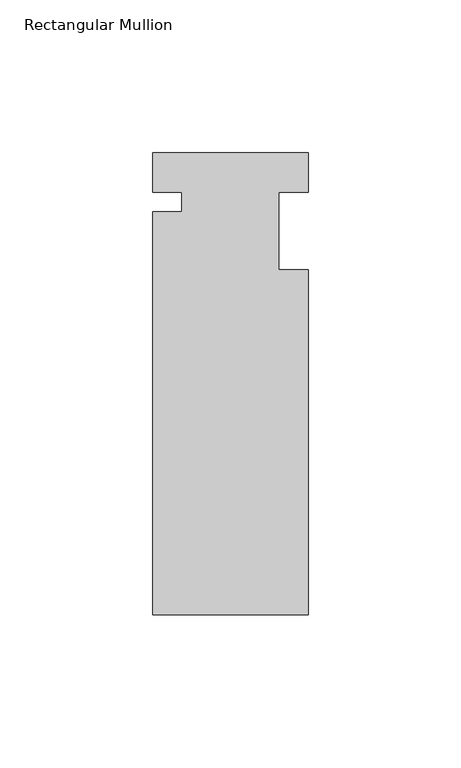
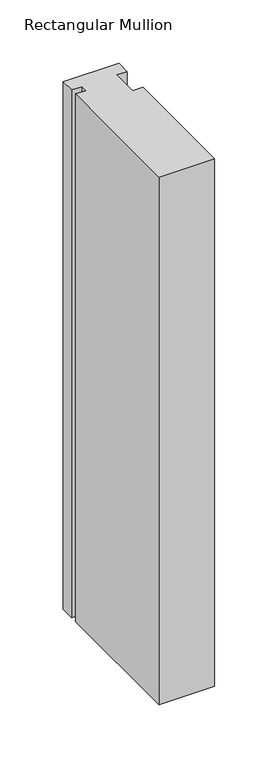
"""IFC4 building model written with IfcOpenShell, lengths in millimetres: member geometry, Rectangular Mullion."""

from ifc_helpers import new_model, si_unit, frame, origin, place, context, project, spatial, polyline, outline, extrude, source, transform, mapped, element, save


def rectangular_mullion_cf83d979(model_context):
    return source(origin(), model_context, "Body", "SweptSolid", [
        extrude(outline(polyline([(-25.4, 12.88415), (25.4, 12.88415), (25.4, 0.0), (15.875, 0.0), (15.875, -25.4), (25.4, -25.4), (25.4, -138.29665), (-25.4, -138.29665), (-25.4, -6.35), (-15.875, -6.35), (-15.875, 0.0), (-25.4, 0.0), (-25.4, 12.88415)])), frame((0.0, 0.0, -508.0), z_axis=(0.0, 0.0, 1.0), x_axis=(1.0, 0.0, 0.0)), (0.0, 0.0, 1.0), 508.0),
    ])


if __name__ == "__main__":
    model = new_model("IFC4")
    model_context = context("Model", 3, world=origin())
    ifc_project = project(units=[si_unit("LENGTHUNIT", "METRE", prefix="MILLI")], contexts=[model_context])
    site = spatial("IfcSite", under=ifc_project)
    building = spatial("IfcBuilding", under=site)
    placement = place(None, origin())
    rectangular_mullion_shape = rectangular_mullion_cf83d979(model_context)
    element("IfcMember", 1, ObjectType="Rectangular Mullion", at=placement, inside=building, context=model_context, shape_type="MappedRepresentation", body=[
        mapped(rectangular_mullion_shape, transform((0.0, 0.0, 0.0), x_axis=(1.0, 0.0, 0.0), y_axis=(0.0, 1.0, 0.0), z_axis=(0.0, 0.0, 1.0))),
    ])
    save(model, "model.ifc")
